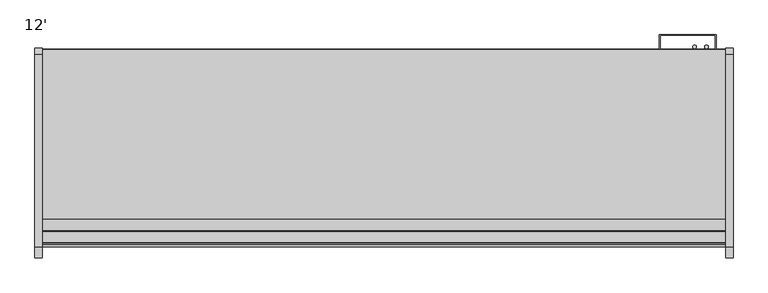
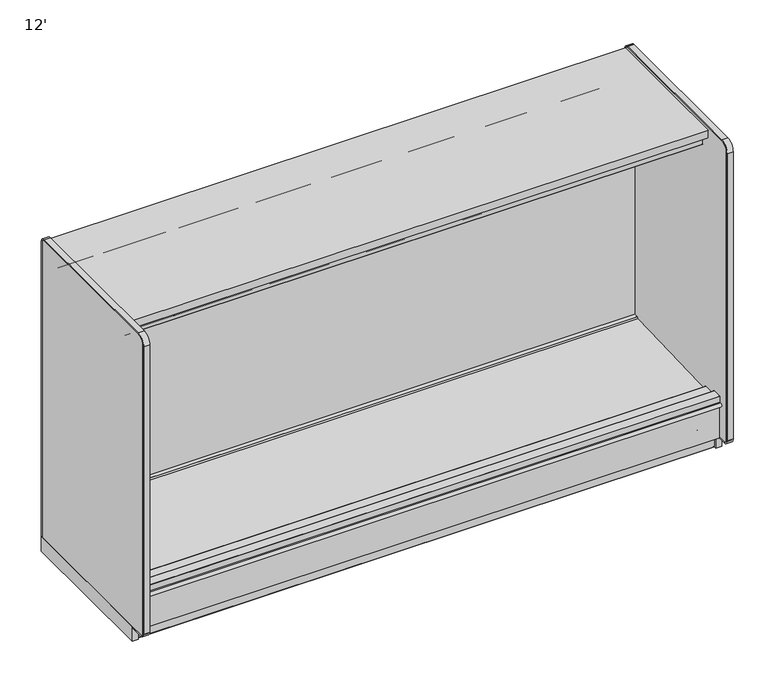
"""IFC4 building model written with IfcOpenShell, lengths in millimetres: proxy geometry, 12'."""

import ifcopenshell
import ifcopenshell.guid

model = None  # the IFC model being written
_history = None  # IfcOwnerHistory: only IFC2X3 demands one
_inside = {}  # id of a spatial element -> (the spatial element, [elements in it])
_under = {}  # id of a project, library or spatial element -> (it, [spatial elements below it])
_declared = {}  # id of a project -> (the project, [libraries it declares])
_typed = {}  # id of a type object -> (the type object, [elements of that type])
_made_of = {}  # id of a material, layer set ... -> (it, [elements and type objects made of it])


def new_model(schema):
    """Start an empty IFC model of exactly this schema.

    Asked for "IFC4X3", IfcOpenShell would pick the latest addendum, in which some entities
    have other attributes; the version numbers below select the first issue.
    IFC2X3 requires an IfcOwnerHistory on every rooted entity: one is made here for all.
    """
    global model, _history
    if schema == "IFC4X3":
        model = ifcopenshell.file(schema_version=(4, 3, 0, 0))
    else:
        model = ifcopenshell.file(schema=schema)
    _inside.clear()
    _under.clear()
    _declared.clear()
    _typed.clear()
    _made_of.clear()
    _history = None
    if model.schema == "IFC2X3":
        org = make("IfcOrganization", Name="unknown")
        user = make(
            "IfcPersonAndOrganization",
            ThePerson=make("IfcPerson", FamilyName="unknown"),
            TheOrganization=org,
        )
        app = make(
            "IfcApplication",
            ApplicationDeveloper=org,
            Version="unknown",
            ApplicationFullName="unknown",
            ApplicationIdentifier="unknown",
        )
        _history = make(
            "IfcOwnerHistory",
            OwningUser=user,
            OwningApplication=app,
            ChangeAction="ADDED",
            CreationDate=0,
        )
    return model


def make(cls, **values):
    """One entity of the class cls with the attributes given. An attribute that is None is left unset."""
    return model.create_entity(
        cls, **{name: value for name, value in values.items() if value is not None}
    )


def rooted(cls, **values):
    """An entity with a GlobalId (a new one), such as an element, a storey or a relation."""
    return make(cls, GlobalId=ifcopenshell.guid.new(), OwnerHistory=_history, **values)


def si_unit(unit_type, name, prefix=None):
    """IfcSIUnit, for example si_unit("LENGTHUNIT", "METRE", prefix="MILLI")."""
    return make("IfcSIUnit", UnitType=unit_type, Prefix=prefix, Name=name)


def assignment(units):
    """IfcUnitAssignment: the units of a project."""
    return None if units is None else make("IfcUnitAssignment", Units=units)


def point(xyz):
    """IfcCartesianPoint."""
    return None if xyz is None else make("IfcCartesianPoint", Coordinates=xyz)


def direction(xyz):
    """IfcDirection."""
    return None if xyz is None else make("IfcDirection", DirectionRatios=xyz)


def frame(location, z_axis=None, x_axis=None):
    """IfcAxis2Placement3D, a coordinate frame: its origin and axes. An axis left out is left unset."""
    return make(
        "IfcAxis2Placement3D",
        Location=point(location),
        Axis=direction(z_axis),
        RefDirection=direction(x_axis),
    )


def frame_2d(location, x_axis=None):
    """IfcAxis2Placement2D, a coordinate frame in the plane: its origin and x axis."""
    return make(
        "IfcAxis2Placement2D", Location=point(location), RefDirection=direction(x_axis)
    )


def origin():
    """The frame at (0, 0, 0) with its axes left unset."""
    return frame((0.0, 0.0, 0.0))


def origin_with_axes():
    """The frame at (0, 0, 0) with the z axis (0, 0, 1) and the x axis (1, 0, 0) written out."""
    return frame((0.0, 0.0, 0.0), z_axis=(0.0, 0.0, 1.0), x_axis=(1.0, 0.0, 0.0))


def place(relative_to, where):
    """IfcLocalPlacement: puts the frame where relative to a parent placement (None: the world)."""
    return make(
        "IfcLocalPlacement", PlacementRelTo=relative_to, RelativePlacement=where
    )


def context(
    kind, dimensions, precision=None, world=None, true_north=None, identifier=None
):
    """IfcGeometricRepresentationContext, for example the 3D "Model" context."""
    return make(
        "IfcGeometricRepresentationContext",
        ContextIdentifier=identifier,
        ContextType=kind,
        CoordinateSpaceDimension=dimensions,
        Precision=precision,
        WorldCoordinateSystem=world,
        TrueNorth=true_north,
    )


def project(units=None, contexts=None):
    """IfcProject with its units and contexts."""
    return rooted(
        "IfcProject",
        Name="project",
        RepresentationContexts=contexts,
        UnitsInContext=assignment(units),
    )


def spatial(cls, under=None, at=None, **own):
    """A site, building, storey or space (cls), placed at a placement, below another one or the project."""
    s = rooted(cls, ObjectPlacement=at, **own)
    if under is not None:
        _under.setdefault(under.id(), (under, []))[1].append(s)
    return s


def polyline(points):
    """IfcPolyline through the points."""
    return make("IfcPolyline", Points=[point(p) for p in points])


def circle_curve(where, radius):
    """IfcCircle in the frame where."""
    return make("IfcCircle", Position=where, Radius=radius)


def trimmed(basis, trim1, trim2, sense, master):
    """IfcTrimmedCurve: the piece of a basis curve between two trims."""
    return make(
        "IfcTrimmedCurve",
        BasisCurve=basis,
        Trim1=trim1,
        Trim2=trim2,
        SenseAgreement=sense,
        MasterRepresentation=master,
    )


def segment(curve, same_sense, transition):
    """IfcCompositeCurveSegment."""
    return make(
        "IfcCompositeCurveSegment",
        Transition=transition,
        SameSense=same_sense,
        ParentCurve=curve,
    )


def composite_curve(segments, self_intersect=None):
    """IfcCompositeCurve: segments joined end to end."""
    return make("IfcCompositeCurve", Segments=segments, SelfIntersect=self_intersect)


def outline(outer, holes=None, kind="AREA"):
    """IfcArbitraryClosedProfileDef: a profile drawn as a closed curve; with holes, ...WithVoids."""
    if holes is None:
        return make("IfcArbitraryClosedProfileDef", ProfileType=kind, OuterCurve=outer)
    return make(
        "IfcArbitraryProfileDefWithVoids",
        ProfileType=kind,
        OuterCurve=outer,
        InnerCurves=holes,
    )


def extrude(swept, where, along, depth):
    """IfcExtrudedAreaSolid: the profile swept, set in the frame where, extruded along a direction by depth."""
    return make(
        "IfcExtrudedAreaSolid",
        SweptArea=swept,
        Position=where,
        ExtrudedDirection=direction(along),
        Depth=depth,
    )


def shape(context_of_items, identifier, shape_type, items):
    """IfcShapeRepresentation: the items that make up one representation, for example the "Body"."""
    return make(
        "IfcShapeRepresentation",
        ContextOfItems=context_of_items,
        RepresentationIdentifier=identifier,
        RepresentationType=shape_type,
        Items=items,
    )


def source(mapping_origin, context_of_items, identifier, shape_type, items):
    """IfcRepresentationMap: a shape defined once, which mapped items show again and again."""
    return make(
        "IfcRepresentationMap",
        MappingOrigin=mapping_origin,
        MappedRepresentation=shape(context_of_items, identifier, shape_type, items),
    )


def transform(
    local_origin,
    x_axis=None,
    y_axis=None,
    z_axis=None,
    scale=None,
    scale2=None,
    scale3=None,
    uniform=True,
):
    """IfcCartesianTransformationOperator3D, or its non-uniform kind. x_axis, y_axis, z_axis: its Axis1, 2, 3."""
    if uniform:
        return make(
            "IfcCartesianTransformationOperator3D",
            Axis1=direction(x_axis),
            Axis2=direction(y_axis),
            LocalOrigin=point(local_origin),
            Scale=scale,
            Axis3=direction(z_axis),
        )
    return make(
        "IfcCartesianTransformationOperator3DnonUniform",
        Axis1=direction(x_axis),
        Axis2=direction(y_axis),
        LocalOrigin=point(local_origin),
        Scale=scale,
        Axis3=direction(z_axis),
        Scale2=scale2,
        Scale3=scale3,
    )


def mapped(mapping_source, mapping_target):
    """IfcMappedItem: shows the shape of a source again, moved by a transform."""
    return make(
        "IfcMappedItem", MappingSource=mapping_source, MappingTarget=mapping_target
    )


def made_of(thing, what):
    """Note that an element or type object is made of a material, layer set ...; save() writes the relation."""
    if what is not None:
        _made_of.setdefault(what.id(), (what, []))[1].append(thing)
    return thing


def element(
    cls,
    number,
    at=None,
    inside=None,
    cuts=None,
    type_object=None,
    material=None,
    context=None,
    identifier="Body",
    shape_type=None,
    held_by="IfcProductDefinitionShape",
    body=None,
    shapes=None,
    **own,
):
    """One element of the class cls, such as IfcWall. Its Tag is "e" and its number.

    at: its placement. inside: the storey or other place that contains it. cuts: it is an
    opening in that element (IfcRelVoidsElement). A single representation is given by context,
    identifier, shape_type and body (its items); several are given by shapes. held_by: the class
    of the entity that holds the representations. save() writes the other relations.
    """
    e = rooted(cls, Tag="e%d" % number, ObjectPlacement=at, **own)
    if body is not None:
        shapes = [shape(context, identifier, shape_type, body)]
    if shapes is not None:
        e.Representation = make(held_by, Representations=shapes)
    if inside is not None:
        _inside.setdefault(inside.id(), (inside, []))[1].append(e)
    if cuts is not None:
        rooted(
            "IfcRelVoidsElement", RelatingBuildingElement=cuts, RelatedOpeningElement=e
        )
    if type_object is not None:
        _typed.setdefault(type_object.id(), (type_object, []))[1].append(e)
    return made_of(e, material)


def aggregate(whole, parts):
    """IfcRelAggregates: a whole, such as a stair, and the parts it consists of."""
    return rooted("IfcRelAggregates", RelatingObject=whole, RelatedObjects=parts)


def save(model, path):
    """Write the relations noted so far, then the file.

    IfcRelAggregates (storeys below a building ...), IfcRelContainedInSpatialStructure (elements
    in a storey), IfcRelDefinesByType, IfcRelAssociatesMaterial and IfcRelDeclares: one each for
    every whole, place, type object, material and project.
    """
    for whole, parts in _under.values():
        aggregate(whole, parts)
    for where, things in _inside.values():
        rooted(
            "IfcRelContainedInSpatialStructure",
            RelatedElements=things,
            RelatingStructure=where,
        )
    for kind, things in _typed.values():
        rooted("IfcRelDefinesByType", RelatedObjects=things, RelatingType=kind)
    for what, things in _made_of.values():
        rooted("IfcRelAssociatesMaterial", RelatedObjects=things, RelatingMaterial=what)
    for by, libraries in _declared.values():
        rooted("IfcRelDeclares", RelatingContext=by, RelatedDefinitions=libraries)
    model.write(path)


def plane_surface(at):
    """IfcPlane: the flat surface through the origin of the frame at, square to its z axis."""
    return make("IfcPlane", Position=at)


def cylinder_surface(at, radius):
    """IfcCylindricalSurface: all points at the distance radius from the z axis of the frame at."""
    return make("IfcCylindricalSurface", Position=at, Radius=radius)


def revolved_surface(curve, axis_point, axis_direction):
    """IfcSurfaceOfRevolution: the curve turned about the line through axis_point along axis_direction."""
    return make(
        "IfcSurfaceOfRevolution",
        SweptCurve=make("IfcArbitraryOpenProfileDef", ProfileType="CURVE", Curve=curve),
        AxisPosition=make("IfcAxis1Placement", Location=point(axis_point), Axis=direction(axis_direction)),
    )


def advanced_brep(points, edges, surfaces, faces):
    """IfcAdvancedBrep: a solid bounded by faces that lie on surfaces and meet in shared edges.

    An edge is (start, end): straight between two places in points (the first is 0);
    or (start, end, curve); or (start, end, curve, False) where it runs against its curve.
    A face is (place in surfaces, loops), or (place, loops, False) where it looks against
    its surface's normal. A loop lists edges by number (the first is 1), with a minus sign
    where the edge is run from its end to its start. The first loop is the outer one.
    """
    corners = [point(p) for p in points]
    vertices = [make("IfcVertexPoint", VertexGeometry=c) for c in corners]
    made = []
    for start, end, *more in edges:
        made.append(
            make(
                "IfcEdgeCurve",
                EdgeStart=vertices[start],
                EdgeEnd=vertices[end],
                EdgeGeometry=more[0] if more else make("IfcPolyline", Points=[corners[start], corners[end]]),
                SameSense=more[1] if len(more) > 1 else True,
            )
        )
    hull = []
    for where, loops, *sense in faces:
        bounds = []
        for j, loop in enumerate(loops):
            ring = [make("IfcOrientedEdge", EdgeElement=made[abs(k) - 1], Orientation=k > 0) for k in loop]
            bounds.append(
                make(
                    "IfcFaceOuterBound" if j == 0 else "IfcFaceBound",
                    Bound=make("IfcEdgeLoop", EdgeList=ring),
                    Orientation=True,
                )
            )
        hull.append(make("IfcAdvancedFace", Bounds=bounds, FaceSurface=surfaces[where], SameSense=sense[0] if sense else True))
    return make("IfcAdvancedBrep", Outer=make("IfcClosedShell", CfsFaces=hull))


def proxy_12_94794d83(model_context):
    return source(origin(), model_context, "Body", "SolidModel", [
        advanced_brep(
        [(3657.6, -1254.2383502, 105.16235), (3657.6, -1254.2383502, 5.1562), (3657.6, -1251.8507502, 2.7686), (3657.6, -1219.3133502, 2.7686), (3657.6, -1219.3133502, 70.23735), (3657.6, -489.0633502, 70.23735), (3657.6, -489.0633502, 2.7686), (3657.6, -456.5259502, 2.7686), (3657.6, -454.1383502, 5.1562), (3657.6, -454.1383502, 105.16235), (0.0, -1254.2383502, 105.16235), (0.0, -454.1383502, 105.16235), (0.0, -454.1383502, 5.1562), (0.0, -456.5259502, 2.7686), (0.0, -489.0633502, 2.7686), (0.0, -489.0633502, 70.23735), (0.0, -1219.3133502, 70.23735), (0.0, -1219.3133502, 2.7686), (0.0, -1251.8507502, 2.7686), (0.0, -1254.2383502, 5.1562), (1799.1855715, -1219.3133502, 70.23735), (1858.4144285, -1219.3133502, 70.23735), (3435.35, -1219.3133502, 70.23735), (3486.15, -1168.5133502, 70.23735), (3384.55, -1168.5133502, 70.23735), (1879.6, -1178.0383502, 70.23735), (1778.0, -1178.0383502, 70.23735), (3486.15, -1168.5133502, 105.16235), (3384.55, -1168.5133502, 105.16235), (1879.6, -1178.0383502, 105.16235), (1778.0, -1178.0383502, 105.16235)],
        [
            (0, 1),
            (1, 2, circle_curve(frame((3657.6, -1251.8507502, 5.1562), z_axis=(1.0, 0.0, 0.0), x_axis=(0.0, 1.0, 0.0)), 2.3876)),
            (2, 3),
            (3, 4),
            (4, 5),
            (5, 6),
            (6, 7),
            (7, 8, circle_curve(frame((3657.6, -456.5259502, 5.1562), z_axis=(1.0, 0.0, 0.0), x_axis=(0.0, 1.0, 0.0)), 2.3876)),
            (8, 9),
            (9, 0),
            (10, 11),
            (11, 12),
            (12, 13, circle_curve(frame((0.0, -456.5259502, 5.1562), z_axis=(-1.0, 0.0, 0.0), x_axis=(0.0, 1.0, 0.0)), 2.3876)),
            (13, 14),
            (14, 15),
            (15, 16),
            (16, 17),
            (17, 18),
            (18, 19, circle_curve(frame((0.0, -1251.8507502, 5.1562), z_axis=(-1.0, 0.0, 0.0), x_axis=(0.0, 1.0, 0.0)), 2.3876)),
            (19, 10),
            (0, 10),
            (19, 1),
            (18, 2),
            (17, 3),
            (16, 20),
            (20, 21),
            (21, 22),
            (22, 4),
            (22, 23, circle_curve(frame((3435.35, -1168.5133502, 70.23735), z_axis=(0.0, 0.0, 1.0), x_axis=(1.0, 0.0, 0.0)), 50.8)),
            (23, 24, circle_curve(frame((3435.35, -1168.5133502, 70.23735), z_axis=(0.0, 0.0, 1.0), x_axis=(1.0, 0.0, 0.0)), 50.8)),
            (24, 22, circle_curve(frame((3435.35, -1168.5133502, 70.23735), z_axis=(0.0, 0.0, 1.0), x_axis=(1.0, 0.0, 0.0)), 50.8)),
            (21, 25, circle_curve(frame((1828.8, -1178.0383502, 70.23735), z_axis=(0.0, 0.0, 1.0), x_axis=(1.0, 0.0, 0.0)), 50.8)),
            (25, 26, circle_curve(frame((1828.8, -1178.0383502, 70.23735), z_axis=(0.0, 0.0, 1.0), x_axis=(1.0, 0.0, 0.0)), 50.8)),
            (26, 20, circle_curve(frame((1828.8, -1178.0383502, 70.23735), z_axis=(0.0, 0.0, 1.0), x_axis=(1.0, 0.0, 0.0)), 50.8)),
            (15, 5),
            (14, 6),
            (13, 7),
            (12, 8),
            (11, 9),
            (27, 28, circle_curve(frame((3435.35, -1168.5133502, 105.16235), z_axis=(0.0, 0.0, -1.0), x_axis=(1.0, 0.0, 0.0)), 50.8)),
            (28, 27, circle_curve(frame((3435.35, -1168.5133502, 105.16235), z_axis=(0.0, 0.0, -1.0), x_axis=(1.0, 0.0, 0.0)), 50.8)),
            (29, 30, circle_curve(frame((1828.8, -1178.0383502, 105.16235), z_axis=(0.0, 0.0, -1.0), x_axis=(1.0, 0.0, 0.0)), 50.8)),
            (30, 29, circle_curve(frame((1828.8, -1178.0383502, 105.16235), z_axis=(0.0, 0.0, -1.0), x_axis=(1.0, 0.0, 0.0)), 50.8)),
            (24, 28),
            (27, 23),
            (20, 21, circle_curve(frame((1828.8, -1178.0383502, 70.23735), z_axis=(0.0, 0.0, 1.0), x_axis=(1.0, 0.0, 0.0)), 50.8)),
            (26, 30),
            (29, 25),
        ],
        [
            plane_surface(frame((3657.6, -1254.2383502, 105.16235), z_axis=(1.0, 0.0, 0.0), x_axis=(0.0, 0.0, -1.0))),
            plane_surface(frame((0.0, -1254.2383502, 105.16235), z_axis=(-1.0, 0.0, 0.0), x_axis=(0.0, 0.0, 1.0))),
            plane_surface(frame((3657.6, -1254.2383502, 105.16235), z_axis=(0.0, -1.0, 0.0), x_axis=(-1.0, 0.0, 0.0))),
            cylinder_surface(frame((0.0, -1251.8507502, 5.1562), z_axis=(1.0, 0.0, 0.0), x_axis=(0.0, 1.0, 0.0)), 2.3876),
            plane_surface(frame((3657.6, -1251.8507502, 2.7686), z_axis=(0.0, 0.0, -1.0), x_axis=(-1.0, 0.0, 0.0))),
            plane_surface(frame((3657.6, -1219.3133502, 2.7686), z_axis=(0.0, 1.0, 0.0), x_axis=(-1.0, 0.0, 0.0))),
            plane_surface(frame((3657.6, -1219.3133502, 70.23735), z_axis=(0.0, 0.0, -1.0), x_axis=(-1.0, 0.0, 0.0))),
            plane_surface(frame((3657.6, -489.0633502, 70.23735), z_axis=(0.0, -1.0, 0.0), x_axis=(-1.0, 0.0, 0.0))),
            plane_surface(frame((3657.6, -489.0633502, 2.7686), z_axis=(0.0, 0.0, -1.0), x_axis=(-1.0, 0.0, 0.0))),
            cylinder_surface(frame((0.0, -456.5259502, 5.1562), z_axis=(1.0, 0.0, 0.0), x_axis=(0.0, 1.0, 0.0)), 2.3876),
            plane_surface(frame((3657.6, -454.1383502, 5.1562), z_axis=(0.0, 1.0, 0.0), x_axis=(-1.0, 0.0, 0.0))),
            plane_surface(frame((3657.6, -454.1383502, 105.16235), z_axis=(0.0, 0.0, 1.0), x_axis=(-1.0, 0.0, 0.0))),
            revolved_surface(polyline([(3486.15, -1168.5133502, 105.16235), (3486.15, -1168.5133502, 70.23735)]), (3435.35, -1168.5133502, 70.23735), (0.0, 0.0, 1.0)),
            plane_surface(frame((1879.6, -1178.0383502, 70.23735), z_axis=(0.0, 0.0, 1.0), x_axis=(0.0, -1.0, 0.0))),
            revolved_surface(polyline([(1879.6, -1178.0383502, 105.16235), (1879.6, -1178.0383502, 70.23735)]), (1828.8, -1178.0383502, 70.23735), (0.0, 0.0, 1.0)),
        ],
        [
            (0, [[1, 2, 3, 4, 5, 6, 7, 8, 9, 10]]),
            (1, [[11, 12, 13, 14, 15, 16, 17, 18, 19, 20]]),
            (2, [[-1, 21, -20, 22]]),
            (3, [[-2, -22, -19, 23]]),
            (4, [[-3, -23, -18, 24]]),
            (5, [[-4, -24, -17, 25, 26, 27, 28]]),
            (6, [[-5, -28, 29, 30, 31, -27, 32, 33, 34, -25, -16, 35]]),
            (7, [[-6, -35, -15, 36]]),
            (8, [[-7, -36, -14, 37]]),
            (9, [[-8, -37, -13, 38]]),
            (10, [[-9, -38, -12, 39]]),
            (11, [[-10, -39, -11, -21], [40, 41], [42, 43]]),
            (12, [[44, -40, 45, -29, -31]]),
            (12, [[-44, -30, -45, -41]]),
            (13, [[46, -26]]),
            (14, [[-46, -34, 47, -42, 48, -32]]),
            (14, [[-47, -33, -48, -43]]),
        ],
    ),
        extrude(outline(composite_curve([segment(polyline([(-451.3697502, 24.892), (-451.3697502, 5.1562)]), True, "CONTINUOUS"), segment(trimmed(circle_curve(frame_2d((-456.5259502, 5.1562)), 5.1562), [point((-451.3697502, 5.1562))], [point((-456.5259502, 0.0))], False, "CARTESIAN"), True, "CONTINUOUS"), segment(polyline([(-456.5259502, 0.0), (-491.4382502, 0.0)]), True, "CONTINUOUS"), segment(trimmed(circle_curve(frame_2d((-491.4382502, 5.1562)), 5.1562), [point((-491.4382502, 0.0))], [point((-496.5944502, 5.1562))], False, "CARTESIAN"), True, "CONTINUOUS"), segment(polyline([(-496.5944502, 5.1562), (-496.5944502, 24.9047)]), True, "CONTINUOUS"), segment(trimmed(circle_curve(frame_2d((-498.9820502, 24.9047)), 2.3876), [point((-496.5944502, 24.9047))], [point((-498.9820502, 27.2923))], True, "CARTESIAN"), True, "CONTINUOUS"), segment(polyline([(-498.9820502, 27.2923), (-510.2088502, 27.2923)]), True, "CONTINUOUS"), segment(trimmed(circle_curve(frame_2d((-510.2088502, 24.9047)), 2.3876), [point((-510.2088502, 27.2923))], [point((-512.5964502, 24.9047))], True, "CARTESIAN"), True, "CONTINUOUS"), segment(polyline([(-512.5964502, 24.9047), (-512.5964502, 7.4422), (-516.0508502, 7.4422), (-516.0508502, 24.9047)]), True, "CONTINUOUS"), segment(trimmed(circle_curve(frame_2d((-510.8946502, 24.9047)), 5.1562), [point((-516.0508502, 24.9047))], [point((-510.8946502, 30.0609))], False, "CARTESIAN"), True, "CONTINUOUS"), segment(polyline([(-510.8946502, 30.0609), (-498.9820502, 30.0609)]), True, "CONTINUOUS"), segment(trimmed(circle_curve(frame_2d((-498.9820502, 24.9047)), 5.1562), [point((-498.9820502, 30.0609))], [point((-493.8258502, 24.9047))], False, "CARTESIAN"), True, "CONTINUOUS"), segment(polyline([(-493.8258502, 24.9047), (-493.8258502, 5.1562)]), True, "CONTINUOUS"), segment(trimmed(circle_curve(frame_2d((-491.4382502, 5.1562)), 2.3876), [point((-493.8258502, 5.1562))], [point((-491.4382502, 2.7686))], True, "CARTESIAN"), True, "CONTINUOUS"), segment(polyline([(-491.4382502, 2.7686), (-456.5259502, 2.7686)]), True, "CONTINUOUS"), segment(trimmed(circle_curve(frame_2d((-456.5259502, 5.1562)), 2.3876), [point((-456.5259502, 2.7686))], [point((-454.1383502, 5.1562))], True, "CARTESIAN"), True, "CONTINUOUS"), segment(polyline([(-454.1383502, 5.1562), (-454.1383502, 24.892), (-451.3697502, 24.892)]), True, "CONTINUOUS")], self_intersect=False)), frame((0.0, 0.0, 0.0), z_axis=(1.0, 0.0, 0.0), x_axis=(0.0, 1.0, 0.0)), (0.0, 0.0, 1.0), 3657.6),
        extrude(outline(composite_curve([segment(polyline([(-1257.0069502, 24.892), (-1254.2383502, 24.892), (-1254.2383502, 5.1562)]), True, "CONTINUOUS"), segment(trimmed(circle_curve(frame_2d((-1251.8507502, 5.1562)), 2.3876), [point((-1254.2383502, 5.1562))], [point((-1251.8507502, 2.7686))], True, "CARTESIAN"), True, "CONTINUOUS"), segment(polyline([(-1251.8507502, 2.7686), (-1216.9384502, 2.7686)]), True, "CONTINUOUS"), segment(trimmed(circle_curve(frame_2d((-1216.9384502, 5.1562)), 2.3876), [point((-1216.9384502, 2.7686))], [point((-1214.5508502, 5.1562))], True, "CARTESIAN"), True, "CONTINUOUS"), segment(polyline([(-1214.5508502, 5.1562), (-1214.5508502, 24.9047)]), True, "CONTINUOUS"), segment(trimmed(circle_curve(frame_2d((-1209.3946502, 24.9047)), 5.1562), [point((-1214.5508502, 24.9047))], [point((-1209.3946502, 30.0609))], False, "CARTESIAN"), True, "CONTINUOUS"), segment(polyline([(-1209.3946502, 30.0609), (-1197.4820502, 30.0609)]), True, "CONTINUOUS"), segment(trimmed(circle_curve(frame_2d((-1197.4820502, 24.9047)), 5.1562), [point((-1197.4820502, 30.0609))], [point((-1192.3258502, 24.9047))], False, "CARTESIAN"), True, "CONTINUOUS"), segment(polyline([(-1192.3258502, 24.9047), (-1192.3258502, 7.4422), (-1195.7802502, 7.4422), (-1195.7802502, 24.9047)]), True, "CONTINUOUS"), segment(trimmed(circle_curve(frame_2d((-1198.1678502, 24.9047)), 2.3876), [point((-1195.7802502, 24.9047))], [point((-1198.1678502, 27.2923))], True, "CARTESIAN"), True, "CONTINUOUS"), segment(polyline([(-1198.1678502, 27.2923), (-1209.3946502, 27.2923)]), True, "CONTINUOUS"), segment(trimmed(circle_curve(frame_2d((-1209.3946502, 24.9047)), 2.3876), [point((-1209.3946502, 27.2923))], [point((-1211.7822502, 24.9047))], True, "CARTESIAN"), True, "CONTINUOUS"), segment(polyline([(-1211.7822502, 24.9047), (-1211.7822502, 5.1562)]), True, "CONTINUOUS"), segment(trimmed(circle_curve(frame_2d((-1216.9384502, 5.1562)), 5.1562), [point((-1211.7822502, 5.1562))], [point((-1216.9384502, 0.0))], False, "CARTESIAN"), True, "CONTINUOUS"), segment(polyline([(-1216.9384502, 0.0), (-1251.8507502, 0.0)]), True, "CONTINUOUS"), segment(trimmed(circle_curve(frame_2d((-1251.8507502, 5.1562)), 5.1562), [point((-1251.8507502, 0.0))], [point((-1257.0069502, 5.1562))], False, "CARTESIAN"), True, "CONTINUOUS"), segment(polyline([(-1257.0069502, 5.1562), (-1257.0069502, 24.892)]), True, "CONTINUOUS")], self_intersect=False)), frame((0.0, 0.0, 0.0), z_axis=(1.0, 0.0, 0.0), x_axis=(0.0, 1.0, 0.0)), (0.0, 0.0, 1.0), 3657.6),
        extrude(outline(composite_curve([segment(trimmed(circle_curve(frame_2d((3489.8209056, -439.1639482)), 9.525), [point((3480.2959056, -439.1639482))], [point((3499.3459056, -439.1639482))], False, "CARTESIAN"), True, "CONTINUOUS"), segment(trimmed(circle_curve(frame_2d((3489.8209056, -439.1639482)), 9.525), [point((3499.3459056, -439.1639482))], [point((3480.2959056, -439.1639482))], False, "CARTESIAN"), True, "CONTINUOUS")], self_intersect=False)), frame((0.0, 0.0, 792.5674787), z_axis=(0.0, 0.0, 1.0), x_axis=(1.0, 0.0, 0.0)), (0.0, 0.0, 1.0), 1168.7570226),
        extrude(outline(composite_curve([segment(trimmed(circle_curve(frame_2d((3553.3917977, -439.6429538)), 10.2531742), [point((3543.1386235, -439.6429538))], [point((3563.6449719, -439.6429538))], False, "CARTESIAN"), True, "CONTINUOUS"), segment(trimmed(circle_curve(frame_2d((3553.3917977, -439.6429538)), 10.2531742), [point((3563.6449719, -439.6429538))], [point((3543.1386235, -439.6429538))], False, "CARTESIAN"), True, "CONTINUOUS")], self_intersect=False)), frame((0.0, 0.0, 792.5674787), z_axis=(0.0, 0.0, 1.0), x_axis=(1.0, 0.0, 0.0)), (0.0, 0.0, 1.0), 1168.7570226),
        extrude(outline(polyline([(3302.0, -375.1697502), (3606.8, -375.1697502), (3606.8, -451.3697502), (3601.080599, -451.3697502), (3601.080599, -377.80742), (3305.8597521, -377.80742), (3305.8597521, -451.3697502), (3302.0, -451.3697502), (3302.0, -375.1697502)])), frame((0.0, 0.0, 237.9789513), z_axis=(0.0, 0.0, 1.0), x_axis=(1.0, 0.0, 0.0)), (0.0, 0.0, 1.0), 1710.01055),
        extrude(outline(polyline([(3695.7, -446.4985065), (3695.7, -1443.7687873), (3657.6, -1443.7687873), (3657.6, -446.4985065), (3695.7, -446.4985065)])), origin_with_axes(), (0.0, 0.0, 1.0), 98.81235),
        extrude(outline(composite_curve([segment(trimmed(circle_curve(frame_2d((-1497.6269405, 323.2962194)), 12.7), [point((-1497.6269405, 310.5962194))], [point((-1497.6269405, 335.9962194))], False, "CARTESIAN"), True, "CONTINUOUS"), segment(polyline([(-1497.6269405, 335.9962194), (-1489.2352586, 335.9962194), (-1489.2352586, 310.5962194), (-1497.6269405, 310.5962194)]), True, "CONTINUOUS")], self_intersect=False)), frame((0.0, 0.0, 0.0), z_axis=(1.0, 0.0, 0.0), x_axis=(0.0, 1.0, 0.0)), (0.0, 0.0, 1.0), 3657.6),
        extrude(outline(polyline([(3657.6, -1199.723124), (3657.6, -1299.5321065), (0.0, -1299.5321065), (0.0, -1199.723124), (3657.6, -1199.723124)])), frame((0.0, 0.0, 1949.1777451), z_axis=(0.0, 0.0, 1.0), x_axis=(1.0, 0.0, 0.0)), (0.0, 0.0, 1.0), 24.9083039),
        extrude(outline(polyline([(3657.6, -1425.21163), (3657.6, -1474.7938566), (0.0, -1474.7938566), (0.0, -1425.21163), (3657.6, -1425.21163)])), frame((0.0, 0.0, 269.2585075), z_axis=(0.0, 0.0, 1.0), x_axis=(1.0, 0.0, 0.0)), (0.0, 0.0, 1.0), 86.5178535),
        extrude(outline(composite_curve([segment(polyline([(-1487.3589273, 323.2962194), (-1489.2352586, 323.2962194), (-1489.2352586, 373.8422194)]), True, "CONTINUOUS"), segment(trimmed(circle_curve(frame_2d((-1487.6604586, 373.8422194)), 1.5748), [point((-1489.2352586, 373.8422194))], [point((-1487.6604586, 375.4170194))], False, "CARTESIAN"), True, "CONTINUOUS"), segment(polyline([(-1487.6604586, 375.4170194), (-1426.6598594, 375.4170194)]), True, "CONTINUOUS"), segment(trimmed(circle_curve(frame_2d((-1426.6598594, 373.8422194)), 1.5748), [point((-1426.6598594, 375.4170194))], [point((-1425.0850594, 373.8422194))], False, "CARTESIAN"), True, "CONTINUOUS"), segment(polyline([(-1425.0850594, 373.8422194), (-1425.0850594, 355.7763611), (-1474.7938566, 355.7763611), (-1474.7938566, 105.16235), (-1457.9209502, 105.16235), (-1457.9209502, 97.61855), (-1487.3589273, 97.61855), (-1487.3589273, 323.2962194)]), True, "CONTINUOUS")], self_intersect=False)), frame((0.0, 0.0, 0.0), z_axis=(1.0, 0.0, 0.0), x_axis=(0.0, 1.0, 0.0)), (0.0, 0.0, 1.0), 3657.6),
        extrude(outline(composite_curve([segment(polyline([(-504.1937745, 187.1774545), (-1341.005955, 157.9553293), (-1425.21163, 167.5451411), (-1425.21163, 347.5376575), (-1336.1824949, 350.6466237)]), True, "CONTINUOUS"), segment(trimmed(circle_curve(frame_2d((-1336.1142384, 348.6920151)), 1.9558), [point((-1336.1824949, 350.6466237))], [point((-1334.1596299, 348.7602715))], False, "CARTESIAN"), True, "CONTINUOUS"), segment(polyline([(-1334.1596299, 348.7602715), (-1333.2971167, 324.0611268), (-589.0533013, 350.0506957), (-582.1621455, 357.4405555)]), True, "CONTINUOUS"), segment(trimmed(circle_curve(frame_2d((-581.0475625, 356.40119)), 1.524), [point((-582.1621455, 357.4405555))], [point((-581.1007493, 357.9242616))], False, "CARTESIAN"), True, "CONTINUOUS"), segment(polyline([(-581.1007493, 357.9242616), (-555.6910045, 358.8115894), (-555.6910045, 237.9789513), (-504.1937745, 237.9789513), (-504.1937745, 187.1774545)]), True, "CONTINUOUS")], self_intersect=False)), frame((0.0, 0.0, 0.0), z_axis=(1.0, 0.0, 0.0), x_axis=(0.0, 1.0, 0.0)), (0.0, 0.0, 1.0), 3657.6),
        extrude(outline(composite_curve([segment(polyline([(-504.1937745, 237.9789513), (-555.6910045, 237.9789513), (-555.6910045, 1936.2930061)]), True, "CONTINUOUS"), segment(trimmed(circle_curve(frame_2d((-581.1383502, 1935.8737013)), 25.4508), [point((-555.6910045, 1936.2930061))], [point((-581.1383502, 1961.3245013))], True, "CARTESIAN"), True, "CONTINUOUS"), segment(polyline([(-581.1383502, 1961.3245013), (-648.0165502, 1961.3245013), (-648.0165502, 1975.0611268), (-1198.4332802, 1975.0611268), (-1198.4332802, 1949.4119013)]), True, "CONTINUOUS"), segment(trimmed(circle_curve(frame_2d((-1199.9572802, 1949.4119013)), 1.524), [point((-1198.4332802, 1949.4119013))], [point((-1199.9572802, 1947.8879013))], False, "CARTESIAN"), True, "CONTINUOUS"), segment(polyline([(-1199.9572802, 1947.8879013), (-1210.3458802, 1947.8879013), (-1210.3458802, 1949.1777451), (-1199.723124, 1949.1777451), (-1199.723124, 1974.0860489), (-1299.5321065, 1974.0860489), (-1299.5321065, 1949.2793451), (-1290.3444502, 1949.2793451), (-1290.3444502, 1947.9895013), (-1299.5019338, 1947.9895013)]), True, "CONTINUOUS"), segment(trimmed(circle_curve(frame_2d((-1299.5019338, 1949.3095178)), 1.3200165), [point((-1299.5019338, 1947.9895013))], [point((-1300.8219502, 1949.3095178))], False, "CARTESIAN"), True, "CONTINUOUS"), segment(polyline([(-1300.8219502, 1949.3095178), (-1300.8219502, 2029.1361513), (-504.1937745, 2029.1361513), (-504.1937745, 237.9789513)]), True, "CONTINUOUS")], self_intersect=False)), frame((0.0, 0.0, 0.0), z_axis=(1.0, 0.0, 0.0), x_axis=(0.0, 1.0, 0.0)), (0.0, 0.0, 1.0), 3657.6),
        extrude(outline(polyline([(-454.1383502, 2079.9361513), (-454.1383502, 304.27295), (-504.1937745, 304.27295), (-504.1937745, 2029.1361513), (-1361.2177409, 2029.1361513), (-1361.2177409, 2079.9361513), (-454.1383502, 2079.9361513)])), frame((0.0, 0.0, 0.0), z_axis=(1.0, 0.0, 0.0), x_axis=(0.0, 1.0, 0.0)), (0.0, 0.0, 1.0), 3657.6),
        extrude(outline(polyline([(-1474.7938566, 105.16235), (-1474.7938566, 269.2585075), (-1425.21163, 269.2585075), (-1425.21163, 167.5451411), (-1341.005955, 157.9553293), (-504.1937745, 187.1774545), (-504.1937745, 304.27295), (-454.1383502, 304.27295), (-454.1383502, 105.16235), (-1474.7938566, 105.16235)])), frame((0.0, 0.0, 0.0), z_axis=(1.0, 0.0, 0.0), x_axis=(0.0, 1.0, 0.0)), (0.0, 0.0, 1.0), 3657.6),
        extrude(outline(composite_curve([segment(trimmed(circle_curve(frame_2d((-1428.9268502, 1.524)), 1.524), [point((-1428.9268502, 0.0))], [point((-1430.4508502, 1.524))], False, "CARTESIAN"), True, "CONTINUOUS"), segment(polyline([(-1430.4508502, 1.524), (-1430.4508502, 98.425)]), True, "CONTINUOUS"), segment(trimmed(circle_curve(frame_2d((-1429.7142502, 98.425)), 0.7366), [point((-1430.4508502, 98.425))], [point((-1429.7142502, 99.1616))], False, "CARTESIAN"), True, "CONTINUOUS"), segment(polyline([(-1429.7142502, 99.1616), (-1429.7142502, 1.524)]), True, "CONTINUOUS"), segment(trimmed(circle_curve(frame_2d((-1428.9268502, 1.524)), 0.7874), [point((-1429.7142502, 1.524))], [point((-1428.9268502, 0.7366))], True, "CARTESIAN"), True, "CONTINUOUS"), segment(polyline([(-1428.9268502, 0.7366), (-1425.8193538, 0.7366), (-1425.3035809, 1.4732), (-1419.6901809, 1.4732)]), True, "CONTINUOUS"), segment(trimmed(circle_curve(frame_2d((-1419.6901809, 0.7366)), 0.7366), [point((-1419.6901809, 1.4732))], [point((-1419.6901809, 0.0))], False, "CARTESIAN"), True, "CONTINUOUS"), segment(polyline([(-1419.6901809, 0.0), (-1428.9268502, 0.0)]), True, "CONTINUOUS")], self_intersect=False)), frame((0.0, 0.0, 0.0), z_axis=(1.0, 0.0, 0.0), x_axis=(0.0, 1.0, 0.0)), (0.0, 0.0, 1.0), 3657.6),
        extrude(outline(composite_curve([segment(polyline([(-479.5383502, 2098.675), (-1509.9417448, 2098.675)]), True, "CONTINUOUS"), segment(trimmed(circle_curve(frame_2d((-1509.9417448, 2047.875)), 50.8), [point((-1509.9417448, 2098.675))], [point((-1560.7417448, 2047.875))], True, "CARTESIAN"), True, "CONTINUOUS"), segment(polyline([(-1560.7417448, 2047.875), (-1560.7417448, 124.21235)]), True, "CONTINUOUS"), segment(trimmed(circle_curve(frame_2d((-1535.3417448, 124.21235)), 25.4), [point((-1560.7417448, 124.21235))], [point((-1535.3417448, 98.81235))], True, "CARTESIAN"), True, "CONTINUOUS"), segment(polyline([(-1535.3417448, 98.81235), (-1443.7687873, 98.81235), (-1443.7687873, 91.1725063), (-1535.3417448, 91.1725063)]), True, "CONTINUOUS"), segment(trimmed(circle_curve(frame_2d((-1535.3417448, 124.21235)), 33.0398438), [point((-1535.3417448, 91.1725063))], [point((-1568.3815885, 124.21235))], False, "CARTESIAN"), True, "CONTINUOUS"), segment(polyline([(-1568.3815885, 124.21235), (-1568.3815885, 2047.875)]), True, "CONTINUOUS"), segment(trimmed(circle_curve(frame_2d((-1509.9417448, 2047.875)), 58.4398437), [point((-1568.3815885, 2047.875))], [point((-1509.9417448, 2106.3148438))], False, "CARTESIAN"), True, "CONTINUOUS"), segment(polyline([(-1509.9417448, 2106.3148438), (-479.5383502, 2106.3148438)]), True, "CONTINUOUS"), segment(trimmed(circle_curve(frame_2d((-479.5383502, 2073.275)), 33.0398438), [point((-479.5383502, 2106.3148438))], [point((-446.4985065, 2073.275))], False, "CARTESIAN"), True, "CONTINUOUS"), segment(polyline([(-446.4985065, 2073.275), (-446.4985065, 98.81235), (-454.1383502, 98.81235), (-454.1383502, 2073.275)]), True, "CONTINUOUS"), segment(trimmed(circle_curve(frame_2d((-479.5383502, 2073.275)), 25.4), [point((-454.1383502, 2073.275))], [point((-479.5383502, 2098.675))], True, "CARTESIAN"), True, "CONTINUOUS")], self_intersect=False)), frame((3657.6, 0.0, 0.0), z_axis=(1.0, 0.0, 0.0), x_axis=(0.0, 1.0, 0.0)), (0.0, 0.0, 1.0), 38.1),
        extrude(outline(composite_curve([segment(trimmed(circle_curve(frame_2d((-479.5383502, 2073.275)), 25.4), [point((-479.5383502, 2098.675))], [point((-454.1383502, 2073.275))], False, "CARTESIAN"), True, "CONTINUOUS"), segment(polyline([(-454.1383502, 2073.275), (-454.1383502, 98.81235), (-1535.3417448, 98.81235)]), True, "CONTINUOUS"), segment(trimmed(circle_curve(frame_2d((-1535.3417448, 124.21235)), 25.4), [point((-1535.3417448, 98.81235))], [point((-1560.7417448, 124.21235))], False, "CARTESIAN"), True, "CONTINUOUS"), segment(polyline([(-1560.7417448, 124.21235), (-1560.7417448, 2047.875)]), True, "CONTINUOUS"), segment(trimmed(circle_curve(frame_2d((-1509.9417448, 2047.875)), 50.8), [point((-1560.7417448, 2047.875))], [point((-1509.9417448, 2098.675))], False, "CARTESIAN"), True, "CONTINUOUS"), segment(polyline([(-1509.9417448, 2098.675), (-479.5383502, 2098.675)]), True, "CONTINUOUS")], self_intersect=False)), frame((3657.6, 0.0, 0.0), z_axis=(1.0, 0.0, 0.0), x_axis=(0.0, 1.0, 0.0)), (0.0, 0.0, 1.0), 38.1),
        extrude(outline(polyline([(0.0, -446.4985065), (0.0, -1443.7687873), (-38.1, -1443.7687873), (-38.1, -446.4985065), (0.0, -446.4985065)])), origin_with_axes(), (0.0, 0.0, 1.0), 98.81235),
        extrude(outline(composite_curve([segment(polyline([(-479.5383502, 2098.675), (-1509.9417448, 2098.675)]), True, "CONTINUOUS"), segment(trimmed(circle_curve(frame_2d((-1509.9417448, 2047.875)), 50.8), [point((-1509.9417448, 2098.675))], [point((-1560.7417448, 2047.875))], True, "CARTESIAN"), True, "CONTINUOUS"), segment(polyline([(-1560.7417448, 2047.875), (-1560.7417448, 124.21235)]), True, "CONTINUOUS"), segment(trimmed(circle_curve(frame_2d((-1535.3417448, 124.21235)), 25.4), [point((-1560.7417448, 124.21235))], [point((-1535.3417448, 98.81235))], True, "CARTESIAN"), True, "CONTINUOUS"), segment(polyline([(-1535.3417448, 98.81235), (-1443.7687873, 98.81235), (-1443.7687873, 91.1725063), (-1535.3417448, 91.1725063)]), True, "CONTINUOUS"), segment(trimmed(circle_curve(frame_2d((-1535.3417448, 124.21235)), 33.0398438), [point((-1535.3417448, 91.1725063))], [point((-1568.3815885, 124.21235))], False, "CARTESIAN"), True, "CONTINUOUS"), segment(polyline([(-1568.3815885, 124.21235), (-1568.3815885, 2047.875)]), True, "CONTINUOUS"), segment(trimmed(circle_curve(frame_2d((-1509.9417448, 2047.875)), 58.4398437), [point((-1568.3815885, 2047.875))], [point((-1509.9417448, 2106.3148438))], False, "CARTESIAN"), True, "CONTINUOUS"), segment(polyline([(-1509.9417448, 2106.3148438), (-479.5383502, 2106.3148438)]), True, "CONTINUOUS"), segment(trimmed(circle_curve(frame_2d((-479.5383502, 2073.275)), 33.0398438), [point((-479.5383502, 2106.3148438))], [point((-446.4985065, 2073.275))], False, "CARTESIAN"), True, "CONTINUOUS"), segment(polyline([(-446.4985065, 2073.275), (-446.4985065, 98.81235), (-454.1383502, 98.81235), (-454.1383502, 2073.275)]), True, "CONTINUOUS"), segment(trimmed(circle_curve(frame_2d((-479.5383502, 2073.275)), 25.4), [point((-454.1383502, 2073.275))], [point((-479.5383502, 2098.675))], True, "CARTESIAN"), True, "CONTINUOUS")], self_intersect=False)), frame((-38.1, 0.0, 0.0), z_axis=(1.0, 0.0, 0.0), x_axis=(0.0, 1.0, 0.0)), (0.0, 0.0, 1.0), 38.1),
        extrude(outline(composite_curve([segment(trimmed(circle_curve(frame_2d((-479.5383502, 2073.275)), 25.4), [point((-479.5383502, 2098.675))], [point((-454.1383502, 2073.275))], False, "CARTESIAN"), True, "CONTINUOUS"), segment(polyline([(-454.1383502, 2073.275), (-454.1383502, 98.81235), (-1535.3417448, 98.81235)]), True, "CONTINUOUS"), segment(trimmed(circle_curve(frame_2d((-1535.3417448, 124.21235)), 25.4), [point((-1535.3417448, 98.81235))], [point((-1560.7417448, 124.21235))], False, "CARTESIAN"), True, "CONTINUOUS"), segment(polyline([(-1560.7417448, 124.21235), (-1560.7417448, 2047.875)]), True, "CONTINUOUS"), segment(trimmed(circle_curve(frame_2d((-1509.9417448, 2047.875)), 50.8), [point((-1560.7417448, 2047.875))], [point((-1509.9417448, 2098.675))], False, "CARTESIAN"), True, "CONTINUOUS"), segment(polyline([(-1509.9417448, 2098.675), (-479.5383502, 2098.675)]), True, "CONTINUOUS")], self_intersect=False)), frame((-38.1, 0.0, 0.0), z_axis=(1.0, 0.0, 0.0), x_axis=(0.0, 1.0, 0.0)), (0.0, 0.0, 1.0), 38.1),
    ])


if __name__ == "__main__":
    model = new_model("IFC4")
    model_context = context("Model", 3, world=origin())
    ifc_project = project(units=[si_unit("LENGTHUNIT", "METRE", prefix="MILLI")], contexts=[model_context])
    site = spatial("IfcSite", under=ifc_project)
    building = spatial("IfcBuilding", under=site)
    placement = place(None, origin())
    proxy_12_shape = proxy_12_94794d83(model_context)
    element("IfcBuildingElementProxy", 1, Name="12'", ObjectType="12'", at=placement, inside=building, context=model_context, shape_type="MappedRepresentation", body=[
        mapped(proxy_12_shape, transform((0.0, 0.0, 0.0), x_axis=(1.0, 0.0, 0.0), y_axis=(0.0, 1.0, 0.0), z_axis=(0.0, 0.0, 1.0))),
    ])
    save(model, "model.ifc")
